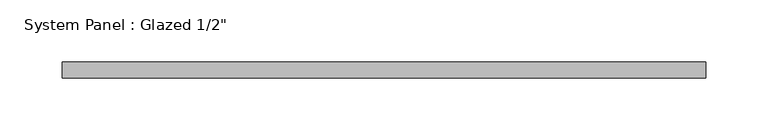
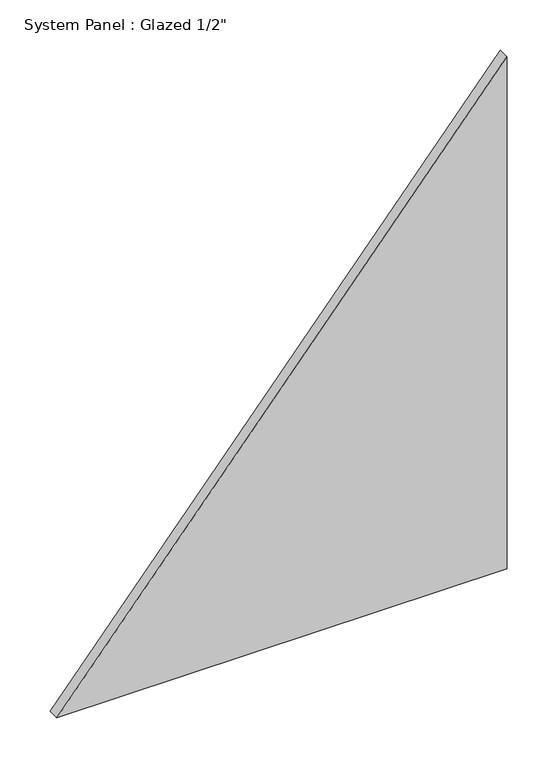
"""IFC4 building model written with IfcOpenShell, lengths in millimetres: plate geometry."""

import ifcopenshell
import ifcopenshell.guid

model = None  # the IFC model being written
_history = None  # IfcOwnerHistory: only IFC2X3 demands one
_inside = {}  # id of a spatial element -> (the spatial element, [elements in it])
_under = {}  # id of a project, library or spatial element -> (it, [spatial elements below it])
_declared = {}  # id of a project -> (the project, [libraries it declares])
_typed = {}  # id of a type object -> (the type object, [elements of that type])
_made_of = {}  # id of a material, layer set ... -> (it, [elements and type objects made of it])


def new_model(schema):
    """Start an empty IFC model of exactly this schema.

    Asked for "IFC4X3", IfcOpenShell would pick the latest addendum, in which some entities
    have other attributes; the version numbers below select the first issue.
    IFC2X3 requires an IfcOwnerHistory on every rooted entity: one is made here for all.
    """
    global model, _history
    if schema == "IFC4X3":
        model = ifcopenshell.file(schema_version=(4, 3, 0, 0))
    else:
        model = ifcopenshell.file(schema=schema)
    _inside.clear()
    _under.clear()
    _declared.clear()
    _typed.clear()
    _made_of.clear()
    _history = None
    if model.schema == "IFC2X3":
        org = make("IfcOrganization", Name="unknown")
        user = make(
            "IfcPersonAndOrganization",
            ThePerson=make("IfcPerson", FamilyName="unknown"),
            TheOrganization=org,
        )
        app = make(
            "IfcApplication",
            ApplicationDeveloper=org,
            Version="unknown",
            ApplicationFullName="unknown",
            ApplicationIdentifier="unknown",
        )
        _history = make(
            "IfcOwnerHistory",
            OwningUser=user,
            OwningApplication=app,
            ChangeAction="ADDED",
            CreationDate=0,
        )
    return model


def make(cls, **values):
    """One entity of the class cls with the attributes given. An attribute that is None is left unset."""
    return model.create_entity(
        cls, **{name: value for name, value in values.items() if value is not None}
    )


def rooted(cls, **values):
    """An entity with a GlobalId (a new one), such as an element, a storey or a relation."""
    return make(cls, GlobalId=ifcopenshell.guid.new(), OwnerHistory=_history, **values)


def si_unit(unit_type, name, prefix=None):
    """IfcSIUnit, for example si_unit("LENGTHUNIT", "METRE", prefix="MILLI")."""
    return make("IfcSIUnit", UnitType=unit_type, Prefix=prefix, Name=name)


def assignment(units):
    """IfcUnitAssignment: the units of a project."""
    return None if units is None else make("IfcUnitAssignment", Units=units)


def point(xyz):
    """IfcCartesianPoint."""
    return None if xyz is None else make("IfcCartesianPoint", Coordinates=xyz)


def direction(xyz):
    """IfcDirection."""
    return None if xyz is None else make("IfcDirection", DirectionRatios=xyz)


def frame(location, z_axis=None, x_axis=None):
    """IfcAxis2Placement3D, a coordinate frame: its origin and axes. An axis left out is left unset."""
    return make(
        "IfcAxis2Placement3D",
        Location=point(location),
        Axis=direction(z_axis),
        RefDirection=direction(x_axis),
    )


def origin():
    """The frame at (0, 0, 0) with its axes left unset."""
    return frame((0.0, 0.0, 0.0))


def place(relative_to, where):
    """IfcLocalPlacement: puts the frame where relative to a parent placement (None: the world)."""
    return make(
        "IfcLocalPlacement", PlacementRelTo=relative_to, RelativePlacement=where
    )


def context(
    kind, dimensions, precision=None, world=None, true_north=None, identifier=None
):
    """IfcGeometricRepresentationContext, for example the 3D "Model" context."""
    return make(
        "IfcGeometricRepresentationContext",
        ContextIdentifier=identifier,
        ContextType=kind,
        CoordinateSpaceDimension=dimensions,
        Precision=precision,
        WorldCoordinateSystem=world,
        TrueNorth=true_north,
    )


def project(units=None, contexts=None):
    """IfcProject with its units and contexts."""
    return rooted(
        "IfcProject",
        Name="project",
        RepresentationContexts=contexts,
        UnitsInContext=assignment(units),
    )


def spatial(cls, under=None, at=None, **own):
    """A site, building, storey or space (cls), placed at a placement, below another one or the project."""
    s = rooted(cls, ObjectPlacement=at, **own)
    if under is not None:
        _under.setdefault(under.id(), (under, []))[1].append(s)
    return s


def polyline(points):
    """IfcPolyline through the points."""
    return make("IfcPolyline", Points=[point(p) for p in points])


def outline(outer, holes=None, kind="AREA"):
    """IfcArbitraryClosedProfileDef: a profile drawn as a closed curve; with holes, ...WithVoids."""
    if holes is None:
        return make("IfcArbitraryClosedProfileDef", ProfileType=kind, OuterCurve=outer)
    return make(
        "IfcArbitraryProfileDefWithVoids",
        ProfileType=kind,
        OuterCurve=outer,
        InnerCurves=holes,
    )


def extrude(swept, where, along, depth):
    """IfcExtrudedAreaSolid: the profile swept, set in the frame where, extruded along a direction by depth."""
    return make(
        "IfcExtrudedAreaSolid",
        SweptArea=swept,
        Position=where,
        ExtrudedDirection=direction(along),
        Depth=depth,
    )


def shape(context_of_items, identifier, shape_type, items):
    """IfcShapeRepresentation: the items that make up one representation, for example the "Body"."""
    return make(
        "IfcShapeRepresentation",
        ContextOfItems=context_of_items,
        RepresentationIdentifier=identifier,
        RepresentationType=shape_type,
        Items=items,
    )


def source(mapping_origin, context_of_items, identifier, shape_type, items):
    """IfcRepresentationMap: a shape defined once, which mapped items show again and again."""
    return make(
        "IfcRepresentationMap",
        MappingOrigin=mapping_origin,
        MappedRepresentation=shape(context_of_items, identifier, shape_type, items),
    )


def transform(
    local_origin,
    x_axis=None,
    y_axis=None,
    z_axis=None,
    scale=None,
    scale2=None,
    scale3=None,
    uniform=True,
):
    """IfcCartesianTransformationOperator3D, or its non-uniform kind. x_axis, y_axis, z_axis: its Axis1, 2, 3."""
    if uniform:
        return make(
            "IfcCartesianTransformationOperator3D",
            Axis1=direction(x_axis),
            Axis2=direction(y_axis),
            LocalOrigin=point(local_origin),
            Scale=scale,
            Axis3=direction(z_axis),
        )
    return make(
        "IfcCartesianTransformationOperator3DnonUniform",
        Axis1=direction(x_axis),
        Axis2=direction(y_axis),
        LocalOrigin=point(local_origin),
        Scale=scale,
        Axis3=direction(z_axis),
        Scale2=scale2,
        Scale3=scale3,
    )


def mapped(mapping_source, mapping_target):
    """IfcMappedItem: shows the shape of a source again, moved by a transform."""
    return make(
        "IfcMappedItem", MappingSource=mapping_source, MappingTarget=mapping_target
    )


def made_of(thing, what):
    """Note that an element or type object is made of a material, layer set ...; save() writes the relation."""
    if what is not None:
        _made_of.setdefault(what.id(), (what, []))[1].append(thing)
    return thing


def element(
    cls,
    number,
    at=None,
    inside=None,
    cuts=None,
    type_object=None,
    material=None,
    context=None,
    identifier="Body",
    shape_type=None,
    held_by="IfcProductDefinitionShape",
    body=None,
    shapes=None,
    **own,
):
    """One element of the class cls, such as IfcWall. Its Tag is "e" and its number.

    at: its placement. inside: the storey or other place that contains it. cuts: it is an
    opening in that element (IfcRelVoidsElement). A single representation is given by context,
    identifier, shape_type and body (its items); several are given by shapes. held_by: the class
    of the entity that holds the representations. save() writes the other relations.
    """
    e = rooted(cls, Tag="e%d" % number, ObjectPlacement=at, **own)
    if body is not None:
        shapes = [shape(context, identifier, shape_type, body)]
    if shapes is not None:
        e.Representation = make(held_by, Representations=shapes)
    if inside is not None:
        _inside.setdefault(inside.id(), (inside, []))[1].append(e)
    if cuts is not None:
        rooted(
            "IfcRelVoidsElement", RelatingBuildingElement=cuts, RelatedOpeningElement=e
        )
    if type_object is not None:
        _typed.setdefault(type_object.id(), (type_object, []))[1].append(e)
    return made_of(e, material)


def aggregate(whole, parts):
    """IfcRelAggregates: a whole, such as a stair, and the parts it consists of."""
    return rooted("IfcRelAggregates", RelatingObject=whole, RelatedObjects=parts)


def save(model, path):
    """Write the relations noted so far, then the file.

    IfcRelAggregates (storeys below a building ...), IfcRelContainedInSpatialStructure (elements
    in a storey), IfcRelDefinesByType, IfcRelAssociatesMaterial and IfcRelDeclares: one each for
    every whole, place, type object, material and project.
    """
    for whole, parts in _under.values():
        aggregate(whole, parts)
    for where, things in _inside.values():
        rooted(
            "IfcRelContainedInSpatialStructure",
            RelatedElements=things,
            RelatingStructure=where,
        )
    for kind, things in _typed.values():
        rooted("IfcRelDefinesByType", RelatedObjects=things, RelatingType=kind)
    for what, things in _made_of.values():
        rooted("IfcRelAssociatesMaterial", RelatedObjects=things, RelatingMaterial=what)
    for by, libraries in _declared.values():
        rooted("IfcRelDeclares", RelatingContext=by, RelatedDefinitions=libraries)
    model.write(path)


def plate_404fe554(model_context):
    return source(origin(), model_context, "Body", "SweptSolid", [
        extrude(outline(polyline([(0.0, -258.4278408), (0.0, 258.4278408), (621.1832206, 258.4278408), (0.0, -258.4278408)])), frame((0.0, -6.35, 0.0), z_axis=(0.0, 1.0, 0.0), x_axis=(0.0, 0.0, 1.0)), (0.0, 0.0, 1.0), 12.7),
    ])


if __name__ == "__main__":
    model = new_model("IFC4")
    model_context = context("Model", 3, world=origin())
    ifc_project = project(units=[si_unit("LENGTHUNIT", "METRE", prefix="MILLI")], contexts=[model_context])
    site = spatial("IfcSite", under=ifc_project)
    building = spatial("IfcBuilding", under=site)
    placement = place(None, origin())
    plate_shape = plate_404fe554(model_context)
    element("IfcPlate", 1, ObjectType="System Panel : Glazed 1/2\"", at=placement, inside=building, context=model_context, shape_type="MappedRepresentation", body=[
        mapped(plate_shape, transform((0.0, 0.0, 0.0), x_axis=(1.0, 0.0, 0.0), y_axis=(0.0, 1.0, 0.0), z_axis=(0.0, 0.0, 1.0))),
    ])
    save(model, "model.ifc")
